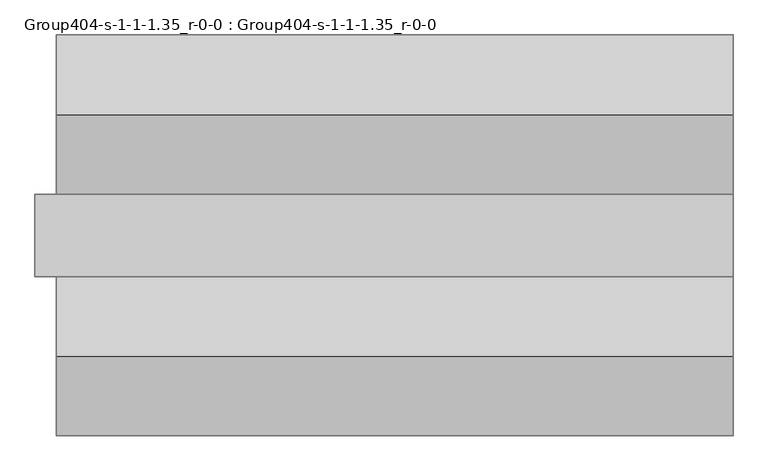
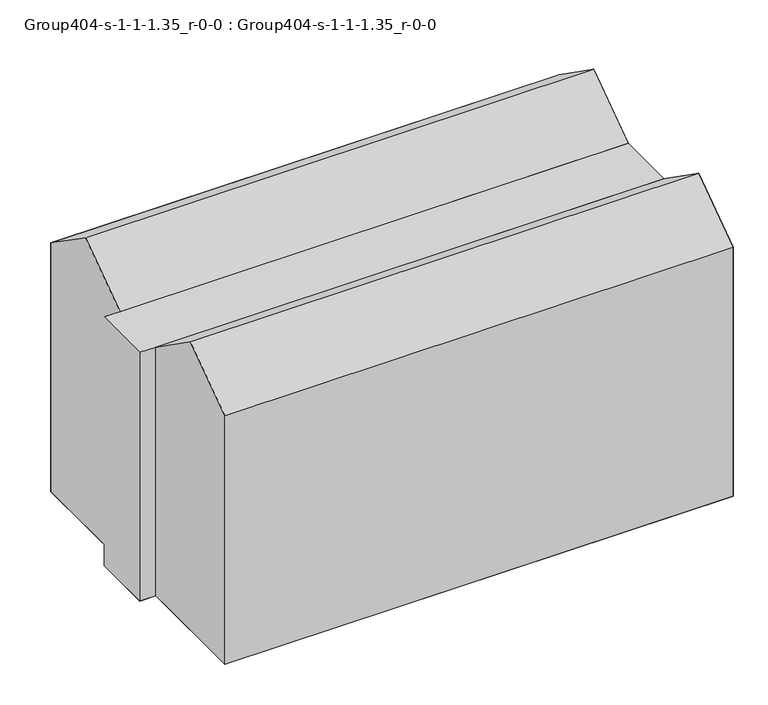
"""IFC4 building model written with IfcOpenShell, lengths in millimetres: geographic element geometry, Group404-s-1-1-1.35_r-0-0 : Group404-s-1-1-1.35_r-0-0."""

from ifc_helpers import new_model, si_unit, origin, place, context, project, spatial, triangles, source, transform, mapped, element, save


def group404_s_1_1_1_35_r_0_0_group404_s_1_1_1_35_r_0_0_69669ca8(model_context):
    return source(origin(), model_context, "Body", "Tessellation", [
        triangles([(16976.7253876, 6068.059845, 0.0), (-8792.4749451, 0.0, 0.0), (-8792.4749451, 6068.059845, 0.0), (16976.7253876, 0.0, 0.0), (16976.7253876, 3034.0299225, 15462.9177887), (-8792.4749451, 6068.059845, 13333.4617218), (-8792.4749451, 3034.0299225, 15462.9177887), (16976.7253876, 6068.059845, 13333.4617218), (16976.7253876, 0.0, 13333.4617218), (-8792.4749451, 0.0, 13333.4617218), (16976.7253876, 15267.6227325, 0.0), (-8792.4749451, 9199.5623062, 0.0), (-8792.4749451, 15267.6227325, 0.0), (16976.7253876, 9199.5623062, 0.0), (16976.7253876, 9199.5623062, 13333.4617218), (-8792.4749451, 12233.5928101, 15462.9177887), (-8792.4749451, 9199.5623062, 13333.4617218), (16976.7253876, 12233.5928101, 15462.9177887), (16976.7253876, 15267.6227325, 13333.4617218), (-8792.4749451, 15267.6227325, 13333.4617218), (-9606.8624451, 6068.059845, 0.0), (-9606.8624451, 9199.5623062, 0.0), (-9606.8624451, 6068.059845, 13333.4617218), (-9606.8624451, 9199.5623062, 13333.4617218)], [[1, 2, 3], [2, 1, 4], [5, 6, 7], [6, 5, 8], [9, 7, 10], [7, 9, 5], [11, 12, 13], [12, 11, 14], [15, 16, 17], [16, 15, 18], [16, 19, 20], [19, 16, 18], [12, 21, 22], [21, 12, 3], [3, 12, 14], [3, 14, 1], [23, 17, 24], [17, 23, 6], [17, 6, 15], [15, 6, 8], [4, 10, 2], [10, 4, 9], [4, 5, 9], [5, 4, 1], [5, 1, 8], [1, 15, 8], [15, 1, 14], [14, 18, 15], [18, 14, 11], [18, 11, 19], [20, 11, 13], [11, 20, 19], [17, 13, 12], [13, 17, 16], [13, 16, 20], [14, 17, 12], [17, 14, 15], [10, 3, 2], [3, 10, 7], [3, 7, 6], [6, 1, 3], [1, 6, 8], [23, 22, 21], [22, 23, 24], [3, 23, 21], [23, 3, 6], [24, 12, 22], [12, 24, 17]], closed=False),
    ])


if __name__ == "__main__":
    model = new_model("IFC4")
    model_context = context("Model", 3, world=origin())
    ifc_project = project(units=[si_unit("LENGTHUNIT", "METRE", prefix="MILLI")], contexts=[model_context])
    site = spatial("IfcSite", under=ifc_project)
    building = spatial("IfcBuilding", under=site)
    placement = place(None, origin())
    group404_s_1_1_1_35_r_0_0_group404_s_1_1_1_35_r_0_0_shape = group404_s_1_1_1_35_r_0_0_group404_s_1_1_1_35_r_0_0_69669ca8(model_context)
    element("IfcGeographicElement", 1, ObjectType="Group404-s-1-1-1.35_r-0-0 : Group404-s-1-1-1.35_r-0-0", at=placement, inside=building, context=model_context, shape_type="MappedRepresentation", body=[
        mapped(group404_s_1_1_1_35_r_0_0_group404_s_1_1_1_35_r_0_0_shape, transform((0.0, 0.0, 0.0), x_axis=(1.0, 0.0, 0.0), y_axis=(0.0, 1.0, 0.0), z_axis=(0.0, 0.0, 1.0))),
    ])
    save(model, "model.ifc")
